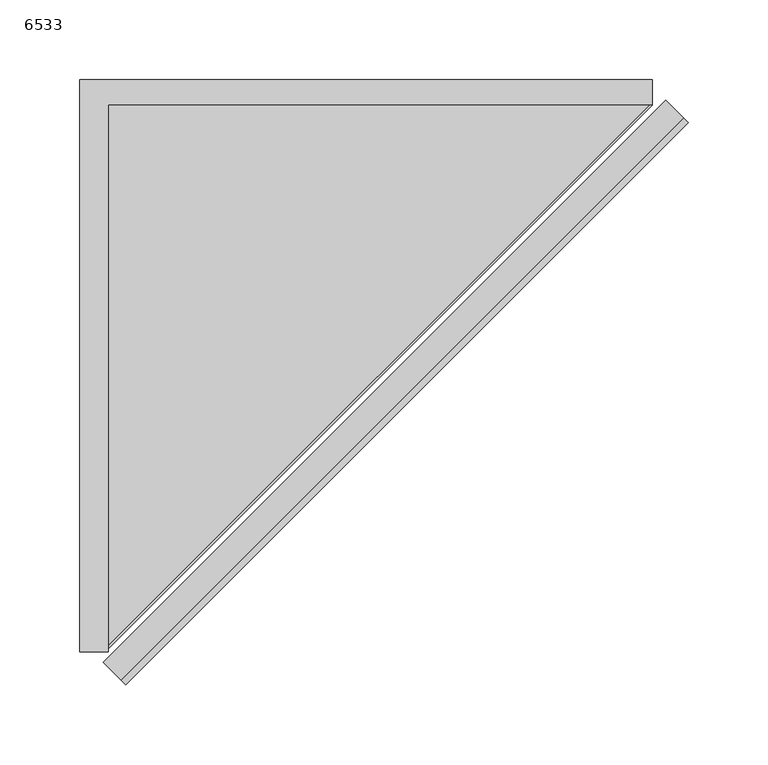
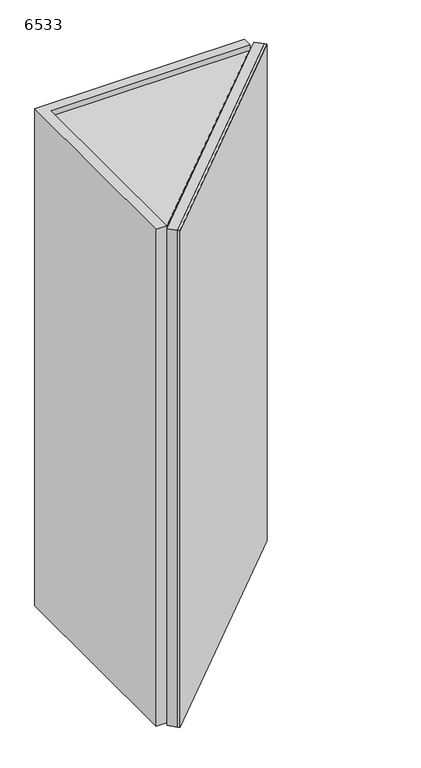
"""IFC4 building model written with IfcOpenShell, lengths in millimetres: furniture geometry, 6533."""

from ifc_helpers import new_model, si_unit, frame, origin, place, context, project, spatial, polyline, outline, extrude, source, transform, mapped, element, save


def furniture_6533_f51c85ab(model_context):
    return source(origin(), model_context, "Body", "SweptSolid", [
        extrude(outline(polyline([(73.8941939, -380.747258), (71.0657668, -377.9188309), (424.6191574, -24.3654403), (427.4475845, -27.1938675), (73.8941939, -380.747258)])), frame((0.0, 0.0, 1100.0), z_axis=(0.0, 0.0, 1.0), x_axis=(1.0, 0.0, 0.0)), (0.0, 0.0, 1.0), 900.0),
        extrude(outline(polyline([(71.0657668, -377.9188309), (59.7520583, -366.6051224), (413.3054489, -13.0517318), (424.6191574, -24.3654403), (71.0657668, -377.9188309)])), frame((0.0, 0.0, 1100.0), z_axis=(0.0, 0.0, 1.0), x_axis=(1.0, 0.0, 0.0)), (0.0, 0.0, 1.0), 900.0),
        extrude(outline(polyline([(60.7003264, -358.0), (60.7003264, -16.0), (402.7003264, -16.0), (60.7003264, -358.0)])), frame((0.0, 0.0, 1974.0), z_axis=(0.0, 0.0, 1.0), x_axis=(1.0, 0.0, 0.0)), (0.0, 0.0, 1.0), 16.0),
        extrude(outline(polyline([(62.7003264, -358.0), (62.7003264, -16.0), (404.7003264, -16.0), (62.7003264, -358.0)])), frame((0.0, 0.0, 1110.0), z_axis=(0.0, 0.0, 1.0), x_axis=(1.0, 0.0, 0.0)), (0.0, 0.0, 1.0), 16.0),
        extrude(outline(polyline([(44.7003264, -360.0), (44.7003264, 0.0), (404.7003264, 0.0), (404.7003264, -16.0), (62.7003264, -16.0), (62.7003264, -360.0), (44.7003264, -360.0)])), frame((0.0, 0.0, 1100.0), z_axis=(0.0, 0.0, 1.0), x_axis=(1.0, 0.0, 0.0)), (0.0, 0.0, 1.0), 900.0),
    ])


if __name__ == "__main__":
    model = new_model("IFC4")
    model_context = context("Model", 3, world=origin())
    ifc_project = project(units=[si_unit("LENGTHUNIT", "METRE", prefix="MILLI")], contexts=[model_context])
    site = spatial("IfcSite", under=ifc_project)
    building = spatial("IfcBuilding", under=site)
    placement = place(None, origin())
    furniture_6533_shape = furniture_6533_f51c85ab(model_context)
    element("IfcFurniture", 1, ObjectType="6533", at=placement, inside=building, context=model_context, shape_type="MappedRepresentation", body=[
        mapped(furniture_6533_shape, transform((0.0, 0.0, 0.0), x_axis=(1.0, 0.0, 0.0), y_axis=(0.0, 1.0, 0.0), z_axis=(0.0, 0.0, 1.0))),
    ])
    save(model, "model.ifc")
